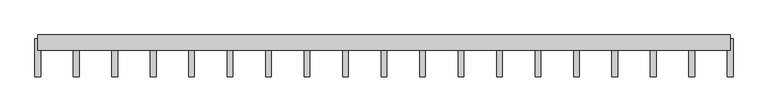
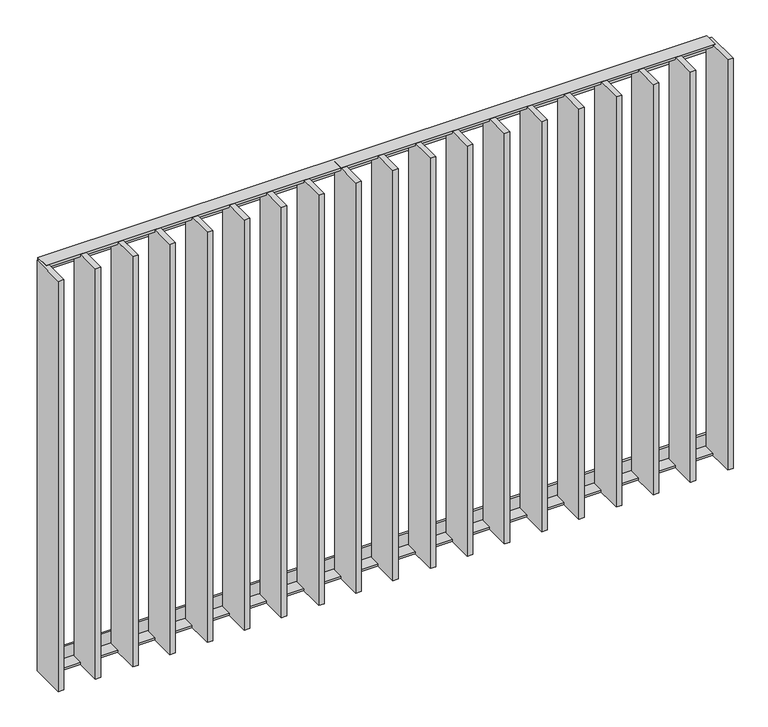
"""IFC4 building model written with IfcOpenShell, lengths in millimetres: railing geometry."""

from ifc_helpers import new_model, si_unit, frame, origin, place, context, project, spatial, polyline, outline, extrude, source, transform, mapped, element, save


def railing_f1c58b10(model_context):
    return source(origin(), model_context, "Body", "SweptSolid", [
        extrude(outline(polyline([(-14.0, 6.0), (20.0, 6.0), (20.0, 0.0), (-20.0, 0.0), (-20.0, 40.0), (-14.0, 40.0), (-14.0, 6.0)])), frame((29185.9325551, 6059.4012767, 8000.0), z_axis=(1.0, -2.5608022662089432e-12, 0.0), x_axis=(-2.5608022662089432e-12, -1.0, 0.0)), (0.0, 0.0, 1.0), 1820.0),
        extrude(outline(polyline([(-14.0, -6.0), (-14.0, -40.0), (-20.0, -40.0), (-20.0, 0.0), (20.0, 0.0), (20.0, -6.0), (-14.0, -6.0)])), frame((29185.9325551, 6059.4012767, 6820.0), z_axis=(1.0, -2.5608022662089432e-12, 0.0), x_axis=(-2.5608022662089432e-12, -1.0, 0.0)), (0.0, 0.0, 1.0), 1820.0),
        extrude(outline(polyline([(29294.5436662, 6069.4012767), (29294.5436662, 5969.4012767), (29279.5436662, 5969.4012767), (29279.5436662, 6069.4012767), (29294.5436662, 6069.4012767)])), frame((0.0, 0.0, 6819.9), z_axis=(0.0, 0.0, 1.0), x_axis=(1.0, 0.0, 0.0)), (0.0, 0.0, 1.0), 1180.2),
        extrude(outline(polyline([(29395.6547773, 6069.4012767), (29395.6547773, 5969.4012767), (29380.6547773, 5969.4012767), (29380.6547773, 6069.4012767), (29395.6547773, 6069.4012767)])), frame((0.0, 0.0, 6819.9), z_axis=(0.0, 0.0, 1.0), x_axis=(1.0, 0.0, 0.0)), (0.0, 0.0, 1.0), 1180.2),
        extrude(outline(polyline([(29496.7658884, 6069.4012767), (29496.7658884, 5969.4012767), (29481.7658884, 5969.4012767), (29481.7658884, 6069.4012767), (29496.7658884, 6069.4012767)])), frame((0.0, 0.0, 6819.9), z_axis=(0.0, 0.0, 1.0), x_axis=(1.0, 0.0, 0.0)), (0.0, 0.0, 1.0), 1180.2),
        extrude(outline(polyline([(29597.8769995, 6069.4012767), (29597.8769995, 5969.4012767), (29582.8769995, 5969.4012767), (29582.8769995, 6069.4012767), (29597.8769995, 6069.4012767)])), frame((0.0, 0.0, 6819.9), z_axis=(0.0, 0.0, 1.0), x_axis=(1.0, 0.0, 0.0)), (0.0, 0.0, 1.0), 1180.2),
        extrude(outline(polyline([(29698.9881106, 6069.4012767), (29698.9881106, 5969.4012767), (29683.9881106, 5969.4012767), (29683.9881106, 6069.4012767), (29698.9881106, 6069.4012767)])), frame((0.0, 0.0, 6819.9), z_axis=(0.0, 0.0, 1.0), x_axis=(1.0, 0.0, 0.0)), (0.0, 0.0, 1.0), 1180.2),
        extrude(outline(polyline([(29800.0992217, 6069.4012767), (29800.0992217, 5969.4012767), (29785.0992217, 5969.4012767), (29785.0992217, 6069.4012767), (29800.0992217, 6069.4012767)])), frame((0.0, 0.0, 6819.9), z_axis=(0.0, 0.0, 1.0), x_axis=(1.0, 0.0, 0.0)), (0.0, 0.0, 1.0), 1180.2),
        extrude(outline(polyline([(29901.2103329, 6069.4012767), (29901.2103329, 5969.4012767), (29886.2103329, 5969.4012767), (29886.2103329, 6069.4012767), (29901.2103329, 6069.4012767)])), frame((0.0, 0.0, 6819.9), z_axis=(0.0, 0.0, 1.0), x_axis=(1.0, 0.0, 0.0)), (0.0, 0.0, 1.0), 1180.2),
        extrude(outline(polyline([(30002.321444, 6069.4012767), (30002.321444, 5969.4012767), (29987.321444, 5969.4012767), (29987.321444, 6069.4012767), (30002.321444, 6069.4012767)])), frame((0.0, 0.0, 6819.9), z_axis=(0.0, 0.0, 1.0), x_axis=(1.0, 0.0, 0.0)), (0.0, 0.0, 1.0), 1180.2),
        extrude(outline(polyline([(30103.4325551, 6069.4012767), (30103.4325551, 5969.4012767), (30088.4325551, 5969.4012767), (30088.4325551, 6069.4012767), (30103.4325551, 6069.4012767)])), frame((0.0, 0.0, 6819.9), z_axis=(0.0, 0.0, 1.0), x_axis=(1.0, 0.0, 0.0)), (0.0, 0.0, 1.0), 1180.2),
        extrude(outline(polyline([(30204.5436662, 6069.4012767), (30204.5436662, 5969.4012767), (30189.5436662, 5969.4012767), (30189.5436662, 6069.4012767), (30204.5436662, 6069.4012767)])), frame((0.0, 0.0, 6819.9), z_axis=(0.0, 0.0, 1.0), x_axis=(1.0, 0.0, 0.0)), (0.0, 0.0, 1.0), 1180.2),
        extrude(outline(polyline([(30305.6547773, 6069.4012767), (30305.6547773, 5969.4012767), (30290.6547773, 5969.4012767), (30290.6547773, 6069.4012767), (30305.6547773, 6069.4012767)])), frame((0.0, 0.0, 6819.9), z_axis=(0.0, 0.0, 1.0), x_axis=(1.0, 0.0, 0.0)), (0.0, 0.0, 1.0), 1180.2),
        extrude(outline(polyline([(30406.7658884, 6069.4012767), (30406.7658884, 5969.4012767), (30391.7658884, 5969.4012767), (30391.7658884, 6069.4012767), (30406.7658884, 6069.4012767)])), frame((0.0, 0.0, 6819.9), z_axis=(0.0, 0.0, 1.0), x_axis=(1.0, 0.0, 0.0)), (0.0, 0.0, 1.0), 1180.2),
        extrude(outline(polyline([(30507.8769995, 6069.4012767), (30507.8769995, 5969.4012767), (30492.8769995, 5969.4012767), (30492.8769995, 6069.4012767), (30507.8769995, 6069.4012767)])), frame((0.0, 0.0, 6819.9), z_axis=(0.0, 0.0, 1.0), x_axis=(1.0, 0.0, 0.0)), (0.0, 0.0, 1.0), 1180.2),
        extrude(outline(polyline([(30608.9881106, 6069.4012767), (30608.9881106, 5969.4012767), (30593.9881106, 5969.4012767), (30593.9881106, 6069.4012767), (30608.9881106, 6069.4012767)])), frame((0.0, 0.0, 6819.9), z_axis=(0.0, 0.0, 1.0), x_axis=(1.0, 0.0, 0.0)), (0.0, 0.0, 1.0), 1180.2),
        extrude(outline(polyline([(30710.0992217, 6069.4012767), (30710.0992217, 5969.4012767), (30695.0992217, 5969.4012767), (30695.0992217, 6069.4012767), (30710.0992217, 6069.4012767)])), frame((0.0, 0.0, 6819.9), z_axis=(0.0, 0.0, 1.0), x_axis=(1.0, 0.0, 0.0)), (0.0, 0.0, 1.0), 1180.2),
        extrude(outline(polyline([(30811.2103329, 6069.4012767), (30811.2103329, 5969.4012767), (30796.2103329, 5969.4012767), (30796.2103329, 6069.4012767), (30811.2103329, 6069.4012767)])), frame((0.0, 0.0, 6819.9), z_axis=(0.0, 0.0, 1.0), x_axis=(1.0, 0.0, 0.0)), (0.0, 0.0, 1.0), 1180.2),
        extrude(outline(polyline([(30912.321444, 6069.4012767), (30912.321444, 5969.4012767), (30897.321444, 5969.4012767), (30897.321444, 6069.4012767), (30912.321444, 6069.4012767)])), frame((0.0, 0.0, 6819.9), z_axis=(0.0, 0.0, 1.0), x_axis=(1.0, 0.0, 0.0)), (0.0, 0.0, 1.0), 1180.2),
        extrude(outline(polyline([(29193.4325551, 6069.4012767), (29193.4325551, 5969.4012767), (29178.4325551, 5969.4012767), (29178.4325551, 6069.4012767), (29193.4325551, 6069.4012767)])), frame((0.0, 0.0, 6819.9), z_axis=(0.0, 0.0, 1.0), x_axis=(1.0, 0.0, 0.0)), (0.0, 0.0, 1.0), 1180.2),
        extrude(outline(polyline([(31013.4325551, 6069.4012767), (31013.4325551, 5969.4012767), (30998.4325551, 5969.4012767), (30998.4325551, 6069.4012767), (31013.4325551, 6069.4012767)])), frame((0.0, 0.0, 6819.9), z_axis=(0.0, 0.0, 1.0), x_axis=(1.0, 0.0, 0.0)), (0.0, 0.0, 1.0), 1180.2),
    ])


if __name__ == "__main__":
    model = new_model("IFC4")
    model_context = context("Model", 3, world=origin())
    ifc_project = project(units=[si_unit("LENGTHUNIT", "METRE", prefix="MILLI")], contexts=[model_context])
    site = spatial("IfcSite", under=ifc_project)
    building = spatial("IfcBuilding", under=site)
    placement = place(None, origin())
    railing_shape = railing_f1c58b10(model_context)
    element("IfcRailing", 1, at=placement, inside=building, context=model_context, shape_type="MappedRepresentation", body=[
        mapped(railing_shape, transform((0.0, 0.0, 0.0), x_axis=(1.0, 0.0, 0.0), y_axis=(0.0, 1.0, 0.0), z_axis=(0.0, 0.0, 1.0))),
    ])
    save(model, "model.ifc")
